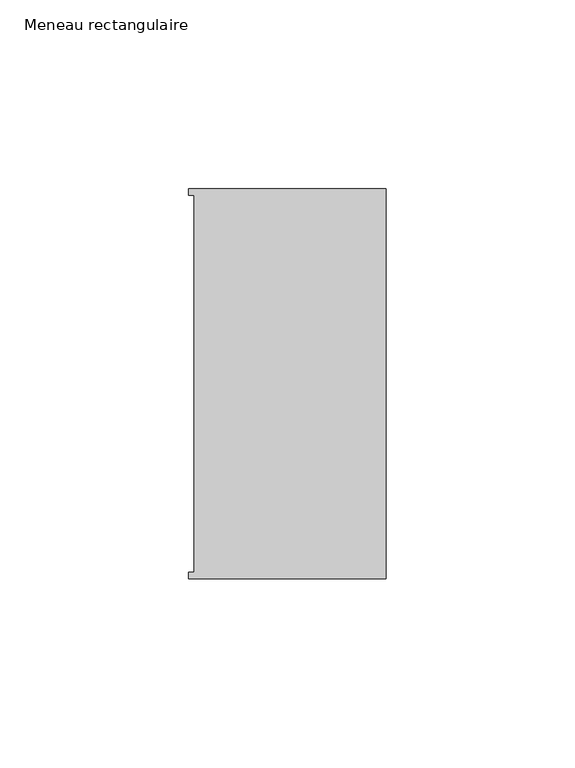
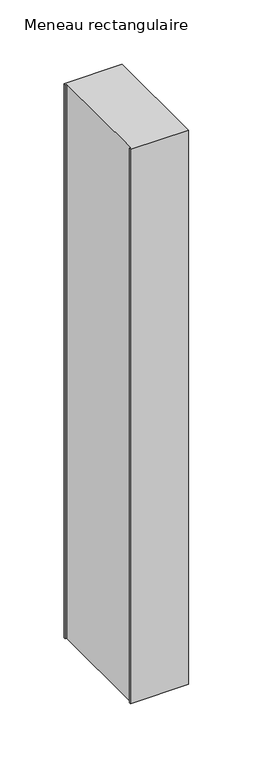
"""IFC4 building model written with IfcOpenShell, lengths in millimetres: member geometry, Meneau rectangulaire."""

import ifcopenshell
import ifcopenshell.guid

model = None  # the IFC model being written
_history = None  # IfcOwnerHistory: only IFC2X3 demands one
_inside = {}  # id of a spatial element -> (the spatial element, [elements in it])
_under = {}  # id of a project, library or spatial element -> (it, [spatial elements below it])
_declared = {}  # id of a project -> (the project, [libraries it declares])
_typed = {}  # id of a type object -> (the type object, [elements of that type])
_made_of = {}  # id of a material, layer set ... -> (it, [elements and type objects made of it])


def new_model(schema):
    """Start an empty IFC model of exactly this schema.

    Asked for "IFC4X3", IfcOpenShell would pick the latest addendum, in which some entities
    have other attributes; the version numbers below select the first issue.
    IFC2X3 requires an IfcOwnerHistory on every rooted entity: one is made here for all.
    """
    global model, _history
    if schema == "IFC4X3":
        model = ifcopenshell.file(schema_version=(4, 3, 0, 0))
    else:
        model = ifcopenshell.file(schema=schema)
    _inside.clear()
    _under.clear()
    _declared.clear()
    _typed.clear()
    _made_of.clear()
    _history = None
    if model.schema == "IFC2X3":
        org = make("IfcOrganization", Name="unknown")
        user = make(
            "IfcPersonAndOrganization",
            ThePerson=make("IfcPerson", FamilyName="unknown"),
            TheOrganization=org,
        )
        app = make(
            "IfcApplication",
            ApplicationDeveloper=org,
            Version="unknown",
            ApplicationFullName="unknown",
            ApplicationIdentifier="unknown",
        )
        _history = make(
            "IfcOwnerHistory",
            OwningUser=user,
            OwningApplication=app,
            ChangeAction="ADDED",
            CreationDate=0,
        )
    return model


def make(cls, **values):
    """One entity of the class cls with the attributes given. An attribute that is None is left unset."""
    return model.create_entity(
        cls, **{name: value for name, value in values.items() if value is not None}
    )


def rooted(cls, **values):
    """An entity with a GlobalId (a new one), such as an element, a storey or a relation."""
    return make(cls, GlobalId=ifcopenshell.guid.new(), OwnerHistory=_history, **values)


def si_unit(unit_type, name, prefix=None):
    """IfcSIUnit, for example si_unit("LENGTHUNIT", "METRE", prefix="MILLI")."""
    return make("IfcSIUnit", UnitType=unit_type, Prefix=prefix, Name=name)


def assignment(units):
    """IfcUnitAssignment: the units of a project."""
    return None if units is None else make("IfcUnitAssignment", Units=units)


def point(xyz):
    """IfcCartesianPoint."""
    return None if xyz is None else make("IfcCartesianPoint", Coordinates=xyz)


def direction(xyz):
    """IfcDirection."""
    return None if xyz is None else make("IfcDirection", DirectionRatios=xyz)


def frame(location, z_axis=None, x_axis=None):
    """IfcAxis2Placement3D, a coordinate frame: its origin and axes. An axis left out is left unset."""
    return make(
        "IfcAxis2Placement3D",
        Location=point(location),
        Axis=direction(z_axis),
        RefDirection=direction(x_axis),
    )


def origin():
    """The frame at (0, 0, 0) with its axes left unset."""
    return frame((0.0, 0.0, 0.0))


def place(relative_to, where):
    """IfcLocalPlacement: puts the frame where relative to a parent placement (None: the world)."""
    return make(
        "IfcLocalPlacement", PlacementRelTo=relative_to, RelativePlacement=where
    )


def context(
    kind, dimensions, precision=None, world=None, true_north=None, identifier=None
):
    """IfcGeometricRepresentationContext, for example the 3D "Model" context."""
    return make(
        "IfcGeometricRepresentationContext",
        ContextIdentifier=identifier,
        ContextType=kind,
        CoordinateSpaceDimension=dimensions,
        Precision=precision,
        WorldCoordinateSystem=world,
        TrueNorth=true_north,
    )


def project(units=None, contexts=None):
    """IfcProject with its units and contexts."""
    return rooted(
        "IfcProject",
        Name="project",
        RepresentationContexts=contexts,
        UnitsInContext=assignment(units),
    )


def spatial(cls, under=None, at=None, **own):
    """A site, building, storey or space (cls), placed at a placement, below another one or the project."""
    s = rooted(cls, ObjectPlacement=at, **own)
    if under is not None:
        _under.setdefault(under.id(), (under, []))[1].append(s)
    return s


def polyline(points):
    """IfcPolyline through the points."""
    return make("IfcPolyline", Points=[point(p) for p in points])


def outline(outer, holes=None, kind="AREA"):
    """IfcArbitraryClosedProfileDef: a profile drawn as a closed curve; with holes, ...WithVoids."""
    if holes is None:
        return make("IfcArbitraryClosedProfileDef", ProfileType=kind, OuterCurve=outer)
    return make(
        "IfcArbitraryProfileDefWithVoids",
        ProfileType=kind,
        OuterCurve=outer,
        InnerCurves=holes,
    )


def extrude(swept, where, along, depth):
    """IfcExtrudedAreaSolid: the profile swept, set in the frame where, extruded along a direction by depth."""
    return make(
        "IfcExtrudedAreaSolid",
        SweptArea=swept,
        Position=where,
        ExtrudedDirection=direction(along),
        Depth=depth,
    )


def shape(context_of_items, identifier, shape_type, items):
    """IfcShapeRepresentation: the items that make up one representation, for example the "Body"."""
    return make(
        "IfcShapeRepresentation",
        ContextOfItems=context_of_items,
        RepresentationIdentifier=identifier,
        RepresentationType=shape_type,
        Items=items,
    )


def source(mapping_origin, context_of_items, identifier, shape_type, items):
    """IfcRepresentationMap: a shape defined once, which mapped items show again and again."""
    return make(
        "IfcRepresentationMap",
        MappingOrigin=mapping_origin,
        MappedRepresentation=shape(context_of_items, identifier, shape_type, items),
    )


def transform(
    local_origin,
    x_axis=None,
    y_axis=None,
    z_axis=None,
    scale=None,
    scale2=None,
    scale3=None,
    uniform=True,
):
    """IfcCartesianTransformationOperator3D, or its non-uniform kind. x_axis, y_axis, z_axis: its Axis1, 2, 3."""
    if uniform:
        return make(
            "IfcCartesianTransformationOperator3D",
            Axis1=direction(x_axis),
            Axis2=direction(y_axis),
            LocalOrigin=point(local_origin),
            Scale=scale,
            Axis3=direction(z_axis),
        )
    return make(
        "IfcCartesianTransformationOperator3DnonUniform",
        Axis1=direction(x_axis),
        Axis2=direction(y_axis),
        LocalOrigin=point(local_origin),
        Scale=scale,
        Axis3=direction(z_axis),
        Scale2=scale2,
        Scale3=scale3,
    )


def mapped(mapping_source, mapping_target):
    """IfcMappedItem: shows the shape of a source again, moved by a transform."""
    return make(
        "IfcMappedItem", MappingSource=mapping_source, MappingTarget=mapping_target
    )


def made_of(thing, what):
    """Note that an element or type object is made of a material, layer set ...; save() writes the relation."""
    if what is not None:
        _made_of.setdefault(what.id(), (what, []))[1].append(thing)
    return thing


def element(
    cls,
    number,
    at=None,
    inside=None,
    cuts=None,
    type_object=None,
    material=None,
    context=None,
    identifier="Body",
    shape_type=None,
    held_by="IfcProductDefinitionShape",
    body=None,
    shapes=None,
    **own,
):
    """One element of the class cls, such as IfcWall. Its Tag is "e" and its number.

    at: its placement. inside: the storey or other place that contains it. cuts: it is an
    opening in that element (IfcRelVoidsElement). A single representation is given by context,
    identifier, shape_type and body (its items); several are given by shapes. held_by: the class
    of the entity that holds the representations. save() writes the other relations.
    """
    e = rooted(cls, Tag="e%d" % number, ObjectPlacement=at, **own)
    if body is not None:
        shapes = [shape(context, identifier, shape_type, body)]
    if shapes is not None:
        e.Representation = make(held_by, Representations=shapes)
    if inside is not None:
        _inside.setdefault(inside.id(), (inside, []))[1].append(e)
    if cuts is not None:
        rooted(
            "IfcRelVoidsElement", RelatingBuildingElement=cuts, RelatedOpeningElement=e
        )
    if type_object is not None:
        _typed.setdefault(type_object.id(), (type_object, []))[1].append(e)
    return made_of(e, material)


def aggregate(whole, parts):
    """IfcRelAggregates: a whole, such as a stair, and the parts it consists of."""
    return rooted("IfcRelAggregates", RelatingObject=whole, RelatedObjects=parts)


def save(model, path):
    """Write the relations noted so far, then the file.

    IfcRelAggregates (storeys below a building ...), IfcRelContainedInSpatialStructure (elements
    in a storey), IfcRelDefinesByType, IfcRelAssociatesMaterial and IfcRelDeclares: one each for
    every whole, place, type object, material and project.
    """
    for whole, parts in _under.values():
        aggregate(whole, parts)
    for where, things in _inside.values():
        rooted(
            "IfcRelContainedInSpatialStructure",
            RelatedElements=things,
            RelatingStructure=where,
        )
    for kind, things in _typed.values():
        rooted("IfcRelDefinesByType", RelatedObjects=things, RelatingType=kind)
    for what, things in _made_of.values():
        rooted("IfcRelAssociatesMaterial", RelatedObjects=things, RelatingMaterial=what)
    for by, libraries in _declared.values():
        rooted("IfcRelDeclares", RelatingContext=by, RelatedDefinitions=libraries)
    model.write(path)


def meneau_rectangulaire_07fcdf38(model_context):
    return source(origin(), model_context, "Body", "SweptSolid", [
        extrude(outline(polyline([(-52.3, 51.6531441), (0.0, 51.6531441), (0.0, -51.6130012), (-52.3, -51.6130012), (-52.3, -49.9174099), (-50.9, -49.9174099), (-50.9, 49.9174073), (-52.3, 49.9174073), (-52.3, 51.6531441)])), frame((0.0, 0.0, -526.6019403), z_axis=(0.0, 0.0, 1.0), x_axis=(1.0, 0.0, 0.0)), (0.0, 0.0, 1.0), 526.6019403),
    ])


if __name__ == "__main__":
    model = new_model("IFC4")
    model_context = context("Model", 3, world=origin())
    ifc_project = project(units=[si_unit("LENGTHUNIT", "METRE", prefix="MILLI")], contexts=[model_context])
    site = spatial("IfcSite", under=ifc_project)
    building = spatial("IfcBuilding", under=site)
    placement = place(None, origin())
    meneau_rectangulaire_shape = meneau_rectangulaire_07fcdf38(model_context)
    element("IfcMember", 1, ObjectType="Meneau rectangulaire", at=placement, inside=building, context=model_context, shape_type="MappedRepresentation", body=[
        mapped(meneau_rectangulaire_shape, transform((0.0, 0.0, 0.0), x_axis=(1.0, 0.0, 0.0), y_axis=(0.0, 1.0, 0.0), z_axis=(0.0, 0.0, 1.0))),
    ])
    save(model, "model.ifc")
